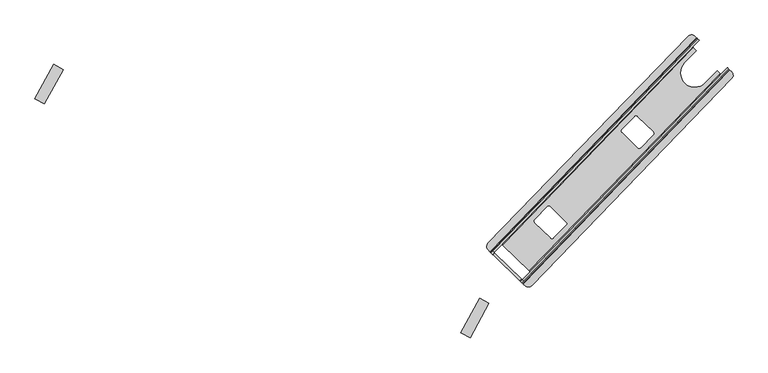
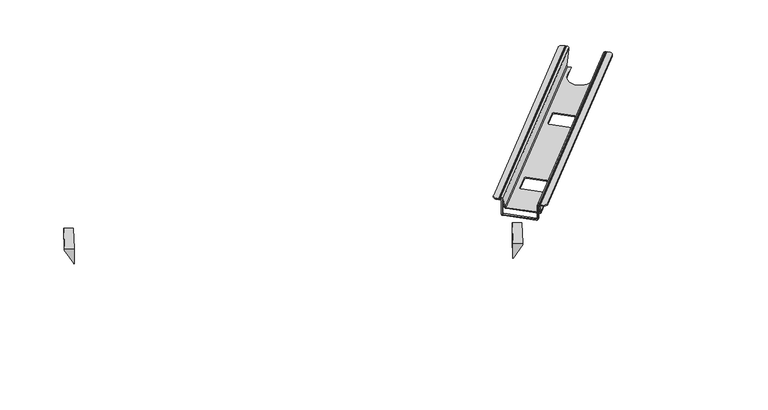
"""IFC4 building model written with IfcOpenShell, lengths in millimetres: furniture geometry."""

from ifc_helpers import new_model, si_unit, point, frame, frame_2d, origin, place, context, project, spatial, polyline, circle_curve, ellipse_curve, trimmed, segment, composite_curve, outline, extrude, source, transform, mapped, element, save
from ifc_brep_helpers import plane_surface, cylinder_surface, revolved_surface, advanced_brep


def furniture_8d54de81(model_context):
    return source(origin(), model_context, "Body", "SolidModel", [
        advanced_brep(
        [(1772.1801517, -98.0018121, 693.6399265), (1772.1801517, -98.0018121, 689.6804247), (1770.0313229, -95.9249045, 689.6804247), (1770.0313229, -95.9249045, 693.5914043), (1773.6840332, -99.4553587, 698.6714043), (1774.8689874, -100.6006526, 698.6714043), (1774.8689874, -100.6006526, 695.6719265), (1773.6412357, -99.4139937, 695.6719265), (1699.9931411, -28.2308973, 693.5914044), (1699.9931411, -28.2308973, 689.6804247), (1697.8443137, -26.1539911, 689.6804247), (1697.8443137, -26.1539911, 693.6399266), (1696.3832297, -24.7418095, 695.6719264), (1694.8094284, -23.2206832, 695.6719264), (1694.8094284, -23.2206832, 698.6714043), (1696.3404309, -24.7004431, 698.6714043), (1183.6366747, -558.1681175, 651.2602168), (1187.654656, -562.0516172, 645.6722168), (1253.9545313, -626.1324388, 645.6722168), (1257.9725126, -630.0159385, 651.2602168), (1257.9725126, -630.0159385, 693.6399265), (1259.4335967, -631.4281201, 695.6719265), (1260.6613483, -632.614779, 695.6719265), (1260.6613483, -632.614779, 698.6714043), (1259.4763941, -631.4694851, 698.6714043), (1255.8236839, -627.9390309, 693.5914043), (1255.8236839, -627.9390309, 651.1913268), (1253.9973287, -626.1738038, 648.6513268), (1187.6118572, -562.0102508, 648.6513268), (1185.7855021, -560.2450237, 651.1913268), (1185.7855021, -560.2450237, 693.5914044), (1182.1327918, -556.7145695, 698.6714043), (1180.6017894, -555.2348096, 698.6714043), (1180.6017894, -555.2348096, 695.6719264), (1182.1755906, -556.7559358, 695.6719264), (1183.6366747, -558.1681175, 693.6399266), (1330.1300026, -519.7254436, 645.6722168), (1291.0331957, -481.5289052, 645.6722168), (1291.0331957, -481.5289052, 648.6513268), (1330.1300026, -519.7254436, 648.6513268), (1290.9305083, -474.3647562, 645.6722168), (1290.9305083, -474.3647562, 648.6513268), (1322.0551917, -442.1622566, 645.6722168), (1322.0551917, -442.1622566, 648.6513268), (1329.2579141, -442.0590056, 645.6722168), (1329.2579141, -442.0590056, 648.6513268), (1368.526956, -480.4235829, 645.6722168), (1368.526956, -480.4235829, 648.6513268), (1368.6106328, -487.6073172, 645.6722168), (1368.6106328, -487.6073172, 648.6513268), (1337.3137144, -519.6417779, 645.6722168), (1337.3137144, -519.6417779, 648.6513268), (1547.1489955, -295.1913038, 645.6722168), (1508.0521886, -256.9947654, 645.6722168), (1508.0521886, -256.9947654, 648.6513268), (1547.1489955, -295.1913038, 648.6513268), (1507.9495012, -249.8306164, 645.6722168), (1507.9495012, -249.8306164, 648.6513268), (1539.0741846, -217.6281168, 645.6722168), (1539.0741846, -217.6281168, 648.6513268), (1546.2769069, -217.5248658, 645.6722168), (1546.2769069, -217.5248658, 648.6513268), (1585.5459489, -255.8894431, 645.6722168), (1585.5459489, -255.8894431, 648.6513268), (1585.6296257, -263.0731774, 645.6722168), (1585.6296257, -263.0731774, 648.6513268), (1554.3327073, -295.1076381, 645.6722168), (1554.3327073, -295.1076381, 648.6513268), (1756.2621679, -114.3230085, 650.192968), (1751.6994057, -111.1511658, 645.6722168), (1744.0056814, -103.7149501, 645.6722168), (1744.4134245, -103.2930873, 648.6513268), (1752.1499462, -110.770668, 648.6513268), (1754.0403078, -112.1755139, 650.192968), (1684.2961139, -44.7656549, 650.192968), (1685.7644747, -46.6071151, 648.6513268), (1692.6906862, -53.3015066, 648.6513268), (1692.2829432, -53.7233694, 645.6722168), (1685.3995305, -47.0703442, 645.6722168), (1682.0742552, -42.6181617, 650.192968), (1754.5878851, -111.9031329, 651.1913268), (1756.7643554, -113.9514417, 651.2602168), (1682.4285175, -42.1036207, 651.2602168), (1684.5497033, -44.2091256, 651.1913268), (1714.9466045, -133.7803132, 648.6513268), (1714.9466045, -133.7803132, 645.6722168), (1663.2238663, -83.7887325, 645.6722168), (1663.2238663, -83.7887325, 648.6513268), (1263.4629056, -627.3449248, 698.6714043), (1261.8485041, -621.7055773, 693.5914043), (1278.8611907, -604.1037587, 651.1913268), (1279.1147755, -603.5472639, 650.1930164), (1281.3366275, -605.6947507, 650.1930164), (1280.9823779, -606.209265, 651.2602168), (1263.9778637, -623.8026282, 693.6399265), (1264.6236243, -626.0583672, 695.6719265), (1265.8513759, -627.245026, 695.6719265), (1264.6478598, -628.4902187, 698.6714043), (1184.5883009, -551.1102493, 698.6714043), (1185.791817, -549.8650566, 695.6719264), (1187.3656183, -551.3861829, 695.6719264), (1189.6420257, -551.9548072, 693.6399266), (1206.6465399, -534.361444, 651.2602168), (1207.1487012, -533.9898907, 650.1930164), (1209.3705519, -536.1373762, 650.1930164), (1208.8230089, -536.4097515, 651.1913268), (1191.8103222, -554.0115701, 693.5914044), (1186.1193033, -552.5900092, 698.6714043), (1277.6349203, -601.7176664, 648.6513268), (1211.2494488, -537.5541135, 648.6513268), (1211.6777952, -537.1965811, 645.6722168), (1277.9776705, -601.2774027, 645.6722168), (1264.6478598, -628.4902187, 695.6719265), (1263.4201082, -627.3035598, 695.6719265), (1261.9590241, -625.8913781, 693.6399265), (1261.9590241, -625.8913781, 651.2602168), (1257.9410428, -622.0078784, 645.6722168), (1191.6411675, -557.9270568, 645.6722168), (1187.6231862, -554.0435571, 651.2602168), (1187.6231862, -554.0435571, 693.6399266), (1186.1621021, -552.6313755, 695.6719264), (1184.5883009, -551.1102493, 695.6719264), (1189.7720136, -556.1204634, 693.5914044), (1189.7720136, -556.1204634, 651.1913268), (1191.5983687, -557.8856905, 648.6513268), (1257.9838402, -622.0492434, 648.6513268), (1259.8101954, -623.8144706, 651.1913268), (1259.8101954, -623.8144706, 693.5914043)],
        [
            (0, 1),
            (1, 2),
            (2, 3),
            (3, 4, circle_curve(frame((1773.6840332, -99.4553587, 693.5914043), z_axis=(0.6949713135982722, 0.71903746305425, 0.0), x_axis=(0.71903746305425, -0.6949713135982722, 0.0)), 5.0799999)),
            (4, 5),
            (5, 6),
            (6, 7),
            (7, 0, circle_curve(frame((1773.6412357, -99.4139937, 693.6399265), z_axis=(-0.6949713135982722, -0.71903746305425, 0.0), x_axis=(0.71903746305425, -0.6949713135982722, 0.0)), 2.0319999)),
            (8, 9),
            (9, 10),
            (10, 11),
            (11, 12, circle_curve(frame((1696.3832297, -24.7418095, 693.6399266), z_axis=(-0.6949713135982722, -0.71903746305425, 0.0), x_axis=(0.71903746305425, -0.6949713135982722, 0.0)), 2.0319999)),
            (12, 13),
            (13, 14),
            (14, 15),
            (15, 8, circle_curve(frame((1696.3404309, -24.7004431, 693.5914044), z_axis=(0.6949713135982722, 0.71903746305425, 0.0), x_axis=(0.71903746305425, -0.6949713135982722, 0.0)), 5.0799999)),
            (16, 17, circle_curve(frame((1187.654656, -562.0516172, 651.2602168), z_axis=(-0.6949713135982722, -0.71903746305425, 0.0), x_axis=(0.71903746305425, -0.6949713135982722, 0.0)), 5.588)),
            (17, 18),
            (18, 19, circle_curve(frame((1253.9545313, -626.1324388, 651.2602168), z_axis=(-0.6949713135982722, -0.71903746305425, 0.0), x_axis=(0.71903746305425, -0.6949713135982722, 0.0)), 5.588)),
            (19, 20),
            (20, 21, circle_curve(frame((1259.4335967, -631.4281201, 693.6399265), z_axis=(0.6949713135982722, 0.71903746305425, 0.0), x_axis=(0.71903746305425, -0.6949713135982722, 0.0)), 2.0319999)),
            (21, 22),
            (22, 23),
            (23, 24),
            (24, 25, circle_curve(frame((1259.4763941, -631.4694851, 693.5914043), z_axis=(-0.6949713135982722, -0.71903746305425, 0.0), x_axis=(0.71903746305425, -0.6949713135982722, 0.0)), 5.0799999)),
            (25, 26),
            (26, 27, circle_curve(frame((1253.9973287, -626.1738038, 651.1913268), z_axis=(0.6949713135982722, 0.71903746305425, 0.0), x_axis=(0.71903746305425, -0.6949713135982722, 0.0)), 2.54)),
            (27, 28),
            (28, 29, circle_curve(frame((1187.6118572, -562.0102508, 651.1913268), z_axis=(0.6949713135982722, 0.71903746305425, 0.0), x_axis=(0.71903746305425, -0.6949713135982722, 0.0)), 2.54)),
            (29, 30),
            (30, 31, circle_curve(frame((1182.1327918, -556.7145695, 693.5914044), z_axis=(-0.6949713135982722, -0.71903746305425, 0.0), x_axis=(0.71903746305425, -0.6949713135982722, 0.0)), 5.0799999)),
            (31, 32),
            (32, 33),
            (33, 34),
            (34, 35, circle_curve(frame((1182.1755906, -556.7559358, 693.6399266), z_axis=(0.6949713135982722, 0.71903746305425, 0.0), x_axis=(0.71903746305425, -0.6949713135982722, 0.0)), 2.0319999)),
            (35, 16),
            (36, 37),
            (37, 38),
            (38, 39),
            (39, 36),
            (37, 40, circle_curve(frame((1294.5832186, -477.8952105, 645.6722168), z_axis=(0.0, 0.0, -1.0), x_axis=(1.0, 0.0, 0.0)), 5.08)),
            (40, 41),
            (41, 38, circle_curve(frame((1294.5832186, -477.8952105, 648.6513268), z_axis=(0.0, 0.0, 1.0), x_axis=(1.0, 0.0, 0.0)), 5.08)),
            (40, 42),
            (42, 43),
            (43, 41),
            (42, 44, circle_curve(frame((1325.707902, -445.6927109, 645.6722168), z_axis=(0.0, 0.0, -1.0), x_axis=(1.0, 0.0, 0.0)), 5.08)),
            (44, 45),
            (45, 43, circle_curve(frame((1325.707902, -445.6927109, 648.6513268), z_axis=(0.0, 0.0, 1.0), x_axis=(1.0, 0.0, 0.0)), 5.08)),
            (44, 46),
            (46, 47),
            (47, 45),
            (46, 48, circle_curve(frame((1364.976944, -484.0572883, 645.6722168), z_axis=(0.0, 0.0, -1.0), x_axis=(1.0, 0.0, 0.0)), 5.08)),
            (48, 49),
            (49, 47, circle_curve(frame((1364.976944, -484.0572883, 648.6513268), z_axis=(0.0, 0.0, 1.0), x_axis=(1.0, 0.0, 0.0)), 5.08)),
            (48, 50),
            (50, 51),
            (51, 49),
            (39, 51, circle_curve(frame((1333.6800255, -516.0917489, 648.6513268), z_axis=(0.0, 0.0, 1.0), x_axis=(1.0, 0.0, 0.0)), 5.08)),
            (50, 36, circle_curve(frame((1333.6800255, -516.0917489, 645.6722168), z_axis=(0.0, 0.0, -1.0), x_axis=(1.0, 0.0, 0.0)), 5.08)),
            (52, 53),
            (53, 54),
            (54, 55),
            (55, 52),
            (53, 56, circle_curve(frame((1511.6022115, -253.3610707, 645.6722168), z_axis=(0.0, 0.0, -1.0), x_axis=(1.0, 0.0, 0.0)), 5.08)),
            (56, 57),
            (57, 54, circle_curve(frame((1511.6022115, -253.3610707, 648.6513268), z_axis=(0.0, 0.0, 1.0), x_axis=(1.0, 0.0, 0.0)), 5.08)),
            (56, 58),
            (58, 59),
            (59, 57),
            (58, 60, circle_curve(frame((1542.7268949, -221.1585711, 645.6722168), z_axis=(0.0, 0.0, -1.0), x_axis=(1.0, 0.0, 0.0)), 5.08)),
            (60, 61),
            (61, 59, circle_curve(frame((1542.7268949, -221.1585711, 648.6513268), z_axis=(0.0, 0.0, 1.0), x_axis=(1.0, 0.0, 0.0)), 5.08)),
            (60, 62),
            (62, 63),
            (63, 61),
            (62, 64, circle_curve(frame((1581.9959369, -259.5231485, 645.6722168), z_axis=(0.0, 0.0, -1.0), x_axis=(1.0, 0.0, 0.0)), 5.08)),
            (64, 65),
            (65, 63, circle_curve(frame((1581.9959369, -259.5231485, 648.6513268), z_axis=(0.0, 0.0, 1.0), x_axis=(1.0, 0.0, 0.0)), 5.08)),
            (64, 66),
            (66, 67),
            (67, 65),
            (55, 67, circle_curve(frame((1550.6990184, -291.5576091, 648.6513268), z_axis=(0.0, 0.0, 1.0), x_axis=(1.0, 0.0, 0.0)), 5.08)),
            (66, 52, circle_curve(frame((1550.6990184, -291.5576091, 645.6722168), z_axis=(0.0, 0.0, -1.0), x_axis=(1.0, 0.0, 0.0)), 5.08)),
            (68, 69, ellipse_curve(frame((1752.4642207, -110.359866, 651.2602168), z_axis=(0.6818737908203317, 0.7054863863892479, -0.19322808287552679), x_axis=(0.13428797458007366, 0.13893823050166124, 0.9811538656032746)), 5.695335, 5.588)),
            (69, 70),
            (70, 71),
            (71, 72),
            (72, 73, ellipse_curve(frame((1752.4975894, -110.4109863, 651.1913268), z_axis=(-0.6818737908203317, -0.7054863863892479, 0.19322808287552679), x_axis=(-0.13428797458007366, -0.13893823050166124, -0.9811538656032746)), 2.5887887, 2.54)),
            (73, 68),
            (74, 75, ellipse_curve(frame((1686.1121179, -46.2474334, 651.1913268), z_axis=(-0.6818737908203317, -0.7054863863892479, 0.19322808287552679), x_axis=(-0.13428797458007366, -0.13893823050166124, -0.9811538656032746)), 2.5887887, 2.54)),
            (75, 76),
            (76, 77),
            (77, 78),
            (78, 79, ellipse_curve(frame((1686.1643455, -46.2790444, 651.2602168), z_axis=(0.6818737908203317, 0.7054863863892479, -0.19322808287552679), x_axis=(0.13428797458007366, 0.13893823050166124, 0.9811538656032746)), 5.695335, 5.588)),
            (79, 74),
            (73, 80, ellipse_curve(frame((1752.76153, -110.1379057, 651.1913268), z_axis=(-0.6018628124775598, -0.6227047092777077, 0.4999999999999673), x_axis=(-0.3474856567991115, -0.35951873152710356, -0.8660254037844576)), 2.9329394, 2.54)),
            (80, 2),
            (1, 81),
            (81, 68, ellipse_curve(frame((1752.7463741, -110.067942, 651.2602168), z_axis=(0.6018628124775598, 0.6227047092777077, -0.4999999999999673), x_axis=(0.3474856567991115, 0.35951873152710356, 0.8660254037844576)), 6.4524666, 5.588)),
            (79, 82, ellipse_curve(frame((1686.4464988, -45.9871204, 651.2602168), z_axis=(0.6018628124775598, 0.6227047092777077, -0.4999999999999673), x_axis=(0.3474856567991115, 0.35951873152710356, 0.8660254037844576)), 6.4524666, 5.588)),
            (82, 10),
            (9, 83),
            (83, 74, ellipse_curve(frame((1686.3760585, -45.9743528, 651.1913268), z_axis=(-0.6018628124775598, -0.6227047092777077, 0.4999999999999673), x_axis=(-0.3474856567991115, -0.35951873152710356, -0.8660254037844576)), 2.9329394, 2.54)),
            (84, 71),
            (70, 85),
            (85, 84),
            (85, 86, circle_curve(frame((1689.0852354, -108.7845229, 645.6722168), z_axis=(0.0, 0.0, -1.0), x_axis=(1.0, 0.0, 0.0)), 35.9666505)),
            (86, 87),
            (87, 84, circle_curve(frame((1689.0852354, -108.7845229, 648.6513268), z_axis=(0.0, 0.0, 1.0), x_axis=(1.0, 0.0, 0.0)), 35.9666505)),
            (86, 77),
            (76, 87),
            (88, 89, ellipse_curve(frame((1265.5012143, -625.2360316, 693.5914043), z_axis=(-0.6018628124775641, -0.622704709277714, -0.4999999999999541), x_axis=(0.34748565679910376, 0.3595187315270924, -0.8660254037844652)), 5.8658787, 5.0799999)),
            (89, 90),
            (90, 91, ellipse_curve(frame((1277.0348355, -602.3385316, 651.1913268), z_axis=(0.6018628124775641, 0.622704709277714, 0.4999999999999541), x_axis=(-0.34748565679910376, -0.3595187315270924, 0.8660254037844652)), 2.9329394, 2.54)),
            (91, 92),
            (92, 93, ellipse_curve(frame((1276.9643965, -602.3257653, 651.2602168), z_axis=(-0.6018628124775641, -0.622704709277714, -0.4999999999999541), x_axis=(0.34748565679910376, 0.3595187315270924, -0.8660254037844652)), 6.4524666, 5.588)),
            (93, 94),
            (94, 95, ellipse_curve(frame((1265.4389477, -625.2148099, 693.6399265), z_axis=(0.6018628124775641, 0.622704709277714, 0.4999999999999541), x_axis=(-0.34748565679910376, -0.3595187315270924, 0.8660254037844652)), 2.3463514, 2.0319999)),
            (95, 96),
            (96, 97),
            (97, 88),
            (98, 99),
            (99, 100),
            (100, 101, ellipse_curve(frame((1188.1809417, -550.5426256, 693.6399266), z_axis=(0.6018628124775641, 0.622704709277714, 0.4999999999999541), x_axis=(-0.34748565679910376, -0.3595187315270924, 0.8660254037844652)), 2.3463513, 2.0319999)),
            (101, 102),
            (102, 103, ellipse_curve(frame((1210.6645213, -538.2449437, 651.2602168), z_axis=(-0.6018628124775641, -0.622704709277714, -0.4999999999999541), x_axis=(0.34748565679910376, 0.3595187315270924, -0.8660254037844652)), 6.4524666, 5.588)),
            (103, 104),
            (104, 105, ellipse_curve(frame((1210.649364, -538.1749786, 651.1913268), z_axis=(0.6018628124775641, 0.622704709277714, 0.4999999999999541), x_axis=(-0.34748565679910376, -0.3595187315270924, 0.8660254037844652)), 2.9329394, 2.54)),
            (105, 106),
            (106, 107, ellipse_curve(frame((1188.157612, -550.481116, 693.5914044), z_axis=(-0.6018628124775641, -0.622704709277714, -0.4999999999999541), x_axis=(0.34748565679910376, 0.3595187315270924, -0.8660254037844652)), 5.8658786, 5.0799999)),
            (107, 98),
            (91, 108, ellipse_curve(frame((1277.3062011, -602.0577689, 651.1913268), z_axis=(0.6832259502605583, 0.7068853697350681, 0.18307204850843098), x_axis=(-0.12722982203502875, -0.13163566131564775, 0.983099499061477)), 2.5836652, 2.54)),
            (108, 109),
            (109, 104, ellipse_curve(frame((1210.9207296, -537.8942159, 651.1913268), z_axis=(0.6832259502605583, 0.7068853697350681, 0.18307204850843098), x_axis=(-0.12722982203502875, -0.13163566131564775, 0.983099499061477)), 2.5836652, 2.54)),
            (103, 110, ellipse_curve(frame((1210.9546128, -537.9448065, 651.2602168), z_axis=(-0.6832259502605583, -0.7068853697350681, -0.18307204850843098), x_axis=(0.12722982203502875, 0.13163566131564775, -0.983099499061477)), 5.6840635, 5.588)),
            (110, 111),
            (111, 92, ellipse_curve(frame((1277.2544881, -602.0256281, 651.2602168), z_axis=(-0.6832259502605583, -0.7068853697350681, -0.18307204850843098), x_axis=(0.12722982203502875, 0.13163566131564775, -0.983099499061477)), 5.6840635, 5.588)),
            (97, 112),
            (112, 113),
            (113, 114, circle_curve(frame((1263.4201082, -627.3035598, 693.6399265), z_axis=(-0.6949713135982722, -0.71903746305425, 0.0), x_axis=(0.71903746305425, -0.6949713135982722, 0.0)), 2.0319999)),
            (114, 115),
            (115, 116, circle_curve(frame((1257.9410428, -622.0078784, 651.2602168), z_axis=(0.6949713135982722, 0.71903746305425, 0.0), x_axis=(0.71903746305425, -0.6949713135982722, 0.0)), 5.588)),
            (116, 117),
            (117, 118, circle_curve(frame((1191.6411675, -557.9270568, 651.2602168), z_axis=(0.6949713135982722, 0.71903746305425, 0.0), x_axis=(0.71903746305425, -0.6949713135982722, 0.0)), 5.588)),
            (118, 119),
            (119, 120, circle_curve(frame((1186.1621021, -552.6313755, 693.6399266), z_axis=(-0.6949713135982722, -0.71903746305425, 0.0), x_axis=(0.71903746305425, -0.6949713135982722, 0.0)), 2.0319999)),
            (120, 121),
            (121, 98),
            (107, 122, circle_curve(frame((1186.1193033, -552.5900092, 693.5914044), z_axis=(0.6949713135982722, 0.71903746305425, 0.0), x_axis=(0.71903746305425, -0.6949713135982722, 0.0)), 5.0799999)),
            (122, 123),
            (123, 124, circle_curve(frame((1191.5983687, -557.8856905, 651.1913268), z_axis=(-0.6949713135982722, -0.71903746305425, 0.0), x_axis=(0.71903746305425, -0.6949713135982722, 0.0)), 2.54)),
            (124, 125),
            (125, 126, circle_curve(frame((1257.9838402, -622.0492434, 651.1913268), z_axis=(-0.6949713135982722, -0.71903746305425, 0.0), x_axis=(0.71903746305425, -0.6949713135982722, 0.0)), 2.54)),
            (126, 127),
            (127, 88, circle_curve(frame((1263.4629056, -627.3449248, 693.5914043), z_axis=(0.6949713135982722, 0.71903746305425, 0.0), x_axis=(0.71903746305425, -0.6949713135982722, 0.0)), 5.0799999)),
            (16, 118),
            (117, 17),
            (78, 110),
            (102, 82),
            (116, 18),
            (69, 111),
            (81, 93),
            (115, 19),
            (114, 20),
            (0, 94),
            (113, 21),
            (7, 95),
            (112, 22),
            (6, 96),
            (97, 23),
            (5, 97),
            (4, 88),
            (88, 24),
            (127, 25),
            (3, 89),
            (80, 90),
            (126, 26),
            (125, 27),
            (72, 108),
            (75, 109),
            (124, 28),
            (83, 105),
            (123, 29),
            (122, 30),
            (8, 106),
            (107, 31),
            (15, 107),
            (14, 98),
            (98, 32),
            (121, 33),
            (13, 99),
            (120, 34),
            (12, 100),
            (119, 35),
            (11, 101),
        ],
        [
            plane_surface(frame((1705.8802764, -33.9209905, 651.2602168), z_axis=(0.6949713135982722, 0.71903746305425, 0.0), x_axis=(0.0, 0.0, 1.0))),
            plane_surface(frame((1191.6726374, -565.9351169, 651.2602168), z_axis=(-0.6949713135982722, -0.71903746305425, 0.0), x_axis=(0.0, 0.0, -1.0))),
            plane_surface(frame((1330.1300026, -519.7254436, 672.2060139), z_axis=(0.6988234067517797, 0.7152942374826159, 0.0), x_axis=(0.0, 0.0, -1.0))),
            revolved_surface(polyline([(1299.6632186, -477.8952105, 648.6513268), (1299.6632186, -477.8952105, 645.6722168)]), (1294.5832186, -477.8952105, 0.0), (0.0, 0.0, 1.0)),
            plane_surface(frame((1290.9305083, -474.3647562, 672.2060139), z_axis=(0.7190374630542508, -0.6949713135982716, 0.0), x_axis=(0.0, 0.0, -1.0))),
            revolved_surface(polyline([(1330.787902, -445.6927109, 648.6513268), (1330.787902, -445.6927109, 645.6722168)]), (1325.707902, -445.6927109, 0.0), (0.0, 0.0, 1.0)),
            plane_surface(frame((1329.2579141, -442.0590056, 672.2060139), z_axis=(-0.6988212627568764, -0.7152963321022167, 0.0), x_axis=(0.0, 0.0, -1.0))),
            revolved_surface(polyline([(1370.056944, -484.0572883, 648.6513268), (1370.056944, -484.0572883, 645.6722168)]), (1364.976944, -484.0572883, 0.0), (0.0, 0.0, 1.0)),
            plane_surface(frame((1368.6106328, -487.6073172, 672.2060139), z_axis=(-0.7152930749870916, 0.6988245966446166, 0.0), x_axis=(0.0, 0.0, -1.0))),
            revolved_surface(polyline([(1338.7600255, -516.0917489, 648.6513268), (1338.7600255, -516.0917489, 645.6722168)]), (1333.6800255, -516.0917489, 0.0), (0.0, 0.0, 1.0)),
            plane_surface(frame((1547.1489955, -295.1913038, 672.2060139), z_axis=(0.6988234067517799, 0.7152942374826154, 0.0), x_axis=(0.0, 0.0, -1.0))),
            revolved_surface(polyline([(1516.6822115, -253.3610707, 648.6513268), (1516.6822115, -253.3610707, 645.6722168)]), (1511.6022115, -253.3610707, 0.0), (0.0, 0.0, 1.0)),
            plane_surface(frame((1507.9495012, -249.8306164, 672.2060139), z_axis=(0.71903746305425, -0.6949713135982722, 0.0), x_axis=(0.0, 0.0, -1.0))),
            revolved_surface(polyline([(1547.8068948999999, -221.1585711, 648.6513268), (1547.8068948999999, -221.1585711, 645.6722168)]), (1542.7268949, -221.1585711, 0.0), (0.0, 0.0, 1.0)),
            plane_surface(frame((1546.2769069, -217.5248658, 672.2060139), z_axis=(-0.6988212627568758, -0.7152963321022173, 0.0), x_axis=(0.0, 0.0, -1.0))),
            revolved_surface(polyline([(1587.0759369, -259.5231485, 648.6513268), (1587.0759369, -259.5231485, 645.6722168)]), (1581.9959369, -259.5231485, 0.0), (0.0, 0.0, 1.0)),
            plane_surface(frame((1585.6296257, -263.0731774, 672.2060139), z_axis=(-0.7152930749870909, 0.6988245966446174, 0.0), x_axis=(0.0, 0.0, -1.0))),
            revolved_surface(polyline([(1555.7790184, -291.5576091, 648.6513268), (1555.7790184, -291.5576091, 645.6722168)]), (1550.6990184, -291.5576091, 0.0), (0.0, 0.0, 1.0)),
            plane_surface(frame((1782.9135883, -142.5842383, 641.0586443), z_axis=(0.6818737908203317, 0.7054863863892479, -0.19322808287552679), x_axis=(-0.7190374630542486, 0.6949713135982736, 0.0))),
            plane_surface(frame((1784.1637794, -141.2907544, 650.192968), z_axis=(0.6018628124775598, 0.6227047092777077, -0.4999999999999673), x_axis=(-0.7190374630542486, 0.6949713135982736, 0.0))),
            plane_surface(frame((1748.0446134, -99.536154, 672.2060139), z_axis=(-0.719037463054251, 0.6949713135982714, 0.0), x_axis=(0.0, 0.0, -1.0))),
            revolved_surface(polyline([(1725.0518859000001, -108.7845229, 648.6513268), (1725.0518859000001, -108.7845229, 645.6722168)]), (1689.0852354, -108.7845229, 0.0), (0.0, 0.0, 1.0)),
            plane_surface(frame((1663.2238663, -83.7887325, 672.2060139), z_axis=(0.7190374630542514, -0.6949713135982708, 0.0), x_axis=(0.0, 0.0, -1.0))),
            plane_surface(frame((1301.4334368, -664.0445841, 698.6714043), z_axis=(-0.6018628124775642, -0.6227047092777142, -0.4999999999999542), x_axis=(-0.7190374630542498, 0.6949713135982726, 0.0))),
            plane_surface(frame((1320.8849961, -643.9194372, 650.1930164), z_axis=(-0.6832259502605584, -0.7068853697350682, -0.183072048508431), x_axis=(-0.7190374630542498, 0.6949713135982726, 0.0))),
            plane_surface(frame((1301.4334368, -664.0445841, 637.7076528), z_axis=(0.6949713135982726, 0.7190374630542498, 0.0), x_axis=(-0.7190374630542498, 0.6949713135982726, 0.0))),
            cylinder_surface(frame((1187.654656, -562.0516172, 651.2602168), z_axis=(0.6949713135982722, 0.71903746305425, 0.0), x_axis=(0.71903746305425, -0.6949713135982722, 0.0)), 5.588),
            plane_surface(frame((1701.8622951, -30.0374908, 645.6722168), z_axis=(0.0, 0.0, -1.0), x_axis=(-0.694971313598272, -0.7190374630542502, 0.0))),
            cylinder_surface(frame((1253.9545313, -626.1324388, 651.2602168), z_axis=(0.6949713135982722, 0.71903746305425, 0.0), x_axis=(0.71903746305425, -0.6949713135982722, 0.0)), 5.588),
            plane_surface(frame((1772.1801517, -98.0018121, 651.2602168), z_axis=(0.7190374630542502, -0.694971313598272, 0.0), x_axis=(-0.694971313598272, -0.7190374630542502, 0.0))),
            revolved_surface(polyline([(1260.8946807104774, -632.8403017837529, 693.6399265), (1264.881192241976, -628.7157414141974, 693.6399265)]), (1259.4335967, -631.4281201, 693.6399265), (-0.6949713135982722, -0.71903746305425, 0.0)),
            revolved_surface(polyline([(1266.0847082983703, -627.4705488213488, 693.6399265), (1775.1023197928362, -100.8261753667025, 693.6399265)]), (1259.4335967, -631.4281201, 693.6399265), (-0.6949713135982722, -0.71903746305425, 0.0)),
            plane_surface(frame((1773.6412357, -99.4139937, 695.6719265), z_axis=(0.0, 0.0, -1.0), x_axis=(-0.6949713135982724, -0.71903746305425, 0.0))),
            plane_surface(frame((1774.8689874, -100.6006526, 695.6719265), z_axis=(0.71903746305425, -0.6949713135982724, 0.0), x_axis=(-0.6949713135982724, -0.71903746305425, 0.0))),
            plane_surface(frame((1774.8689874, -100.6006526, 698.6714043), z_axis=(0.0, 0.0, 1.0), x_axis=(-0.6949713135982724, -0.71903746305425, 0.0))),
            cylinder_surface(frame((1259.4763941, -631.4694851, 693.5914043), z_axis=(0.6949713135982722, 0.71903746305425, 0.0), x_axis=(0.71903746305425, -0.6949713135982722, 0.0)), 5.0799999),
            plane_surface(frame((1770.0313229, -95.9249045, 693.5914043), z_axis=(-0.7190374630542502, 0.694971313598272, 0.0), x_axis=(-0.694971313598272, -0.7190374630542502, 0.0))),
            revolved_surface(polyline([(1255.823683856158, -627.9390309365396, 651.1913268), (1259.8101953876567, -623.814470566984, 651.1913268)]), (1253.9973287, -626.1738038, 651.1913268), (-0.6949713135982722, -0.71903746305425, 0.0)),
            revolved_surface(polyline([(1277.8420362725026, -605.1582053797101, 651.1913268), (1755.6070395309184, -110.84868618477162, 651.1913268)]), (1253.9973287, -626.1738038, 651.1913268), (-0.6949713135982722, -0.71903746305425, 0.0)),
            plane_surface(frame((1768.2049678, -94.1596774, 648.6513268), z_axis=(0.0, 0.0, 1.0), x_axis=(-0.694971313598272, -0.7190374630542502, 0.0))),
            revolved_surface(polyline([(1211.4565647725026, -540.9946523797101, 651.1913268), (1689.2215679809474, -46.68513323647312, 651.1913268)]), (1187.6118572, -562.0102508, 651.1913268), (-0.6949713135982722, -0.71903746305425, 0.0)),
            revolved_surface(polyline([(1189.438212356158, -563.7754779365396, 651.1913268), (1193.4247238465498, -559.6509176095144, 651.1913268)]), (1187.6118572, -562.0102508, 651.1913268), (-0.6949713135982722, -0.71903746305425, 0.0)),
            plane_surface(frame((1699.9931411, -28.2308973, 651.1913268), z_axis=(0.7190374630542501, -0.6949713135982721, 0.0), x_axis=(-0.6949713135982721, -0.7190374630542501, 0.0))),
            cylinder_surface(frame((1182.1327918, -556.7145695, 693.5914044), z_axis=(0.6949713135982722, 0.71903746305425, 0.0), x_axis=(0.71903746305425, -0.6949713135982722, 0.0)), 5.0799999),
            plane_surface(frame((1696.3404309, -24.7004431, 698.6714043), z_axis=(-1.1381818942831857e-11, 1.1000870007854872e-11, 1.0), x_axis=(-0.6949713135982724, -0.71903746305425, 0.0))),
            plane_surface(frame((1694.8094284, -23.2206832, 698.6714043), z_axis=(-0.71903746305425, 0.6949713135982724, 0.0), x_axis=(-0.6949713135982724, -0.71903746305425, 0.0))),
            plane_surface(frame((1694.8094284, -23.2206832, 695.6719264), z_axis=(0.0, 0.0, -1.0), x_axis=(-0.6949713135982724, -0.71903746305425, 0.0))),
            revolved_surface(polyline([(1183.6366746455967, -558.1681174474176, 693.6399266), (1187.6231861770952, -554.043557077862, 693.6399266)]), (1182.1755906, -556.7559358, 693.6399266), (-0.6949713135982722, -0.71903746305425, 0.0)),
            revolved_surface(polyline([(1188.8267022638775, -552.7983644535733, 693.6399266), (1697.8443136854103, -26.153991074385658, 693.6399266)]), (1182.1755906, -556.7559358, 693.6399266), (-0.6949713135982722, -0.71903746305425, 0.0)),
            plane_surface(frame((1697.8443137, -26.1539911, 693.6399266), z_axis=(-0.71903746305425, 0.6949713135982724, 0.0), x_axis=(-0.6949713135982724, -0.71903746305425, 0.0))),
        ],
        [
            (0, [[1, 2, 3, 4, 5, 6, 7, 8]]),
            (0, [[9, 10, 11, 12, 13, 14, 15, 16]]),
            (1, [[17, 18, 19, 20, 21, 22, 23, 24, 25, 26, 27, 28, 29, 30, 31, 32, 33, 34, 35, 36]]),
            (2, [[37, 38, 39, 40]]),
            (3, [[41, 42, 43, -38]]),
            (4, [[44, 45, 46, -42]]),
            (5, [[47, 48, 49, -45]]),
            (6, [[50, 51, 52, -48]]),
            (7, [[53, 54, 55, -51]]),
            (8, [[56, 57, 58, -54]]),
            (9, [[59, -57, 60, -40]]),
            (10, [[61, 62, 63, 64]]),
            (11, [[65, 66, 67, -62]]),
            (12, [[68, 69, 70, -66]]),
            (13, [[71, 72, 73, -69]]),
            (14, [[74, 75, 76, -72]]),
            (15, [[77, 78, 79, -75]]),
            (16, [[80, 81, 82, -78]]),
            (17, [[83, -81, 84, -64]]),
            (18, [[85, 86, 87, 88, 89, 90]]),
            (18, [[91, 92, 93, 94, 95, 96]]),
            (19, [[97, 98, -2, 99, 100, -90]]),
            (19, [[101, 102, -10, 103, 104, -96]]),
            (20, [[105, -87, 106, 107]]),
            (21, [[108, 109, 110, -107]]),
            (22, [[111, -93, 112, -109]]),
            (23, [[113, 114, 115, 116, 117, 118, 119, 120, 121, 122]]),
            (23, [[123, 124, 125, 126, 127, 128, 129, 130, 131, 132]]),
            (24, [[133, 134, 135, -128, 136, 137, 138, -116]]),
            (25, [[139, 140, 141, 142, 143, 144, 145, 146, 147, 148, 149, -132, 150, 151, 152, 153, 154, 155, 156, -122]]),
            (26, [[157, -145, 158, -17]]),
            (26, [[159, -136, -127, 160, -101, -95]]),
            (27, [[-158, -144, 161, -18]]),
            (27, [[162, -137, -159, -94, -111, -108, -106, -86], [-60, -56, -53, -50, -47, -44, -41, -37], [-84, -80, -77, -74, -71, -68, -65, -61]]),
            (28, [[-100, 163, -117, -138, -162, -85]]),
            (28, [[-161, -143, 164, -19]]),
            (29, [[-164, -142, 165, -20]]),
            (29, [[166, -118, -163, -99, -1]]),
            (30, [[-165, -141, 167, -21]]),
            (31, [[168, -119, -166, -8]]),
            (32, [[-167, -140, 169, -22]]),
            (32, [[170, -120, -168, -7]]),
            (33, [[-169, -139, 171, -23]]),
            (33, [[172, -121, -170, -6]]),
            (34, [[173, 174, -24, -171, -172, -5]]),
            (35, [[-174, -156, 175, -25]]),
            (35, [[176, -113, -173, -4]]),
            (36, [[-98, 177, -114, -176, -3]]),
            (36, [[-175, -155, 178, -26]]),
            (37, [[-178, -154, 179, -27]]),
            (38, [[180, -133, -115, -177, -97, -89]]),
            (39, [[-105, -110, -112, -92, 181, -134, -180, -88], [-43, -46, -49, -52, -55, -58, -59, -39], [-67, -70, -73, -76, -79, -82, -83, -63]]),
            (39, [[-179, -153, 182, -28]]),
            (40, [[-104, 183, -129, -135, -181, -91]]),
            (41, [[-182, -152, 184, -29]]),
            (42, [[-184, -151, 185, -30]]),
            (42, [[186, -130, -183, -103, -9]]),
            (43, [[-185, -150, 187, -31]]),
            (43, [[188, -131, -186, -16]]),
            (44, [[189, 190, -32, -187, -188, -15]]),
            (45, [[-190, -149, 191, -33]]),
            (45, [[192, -123, -189, -14]]),
            (46, [[-191, -148, 193, -34]]),
            (46, [[194, -124, -192, -13]]),
            (47, [[-193, -147, 195, -35]]),
            (48, [[196, -125, -194, -12]]),
            (49, [[-102, -160, -126, -196, -11]]),
            (49, [[-195, -146, -157, -36]]),
        ],
    ),
        advanced_brep(
        [(1776.7220962, -102.3917379, 698.6714043), (1262.5144571, -634.4058643, 698.6714043), (1266.7213021, -638.4719064, 698.6714043), (1282.8834224, -638.1968303, 698.6714043), (1781.2040172, -122.6199003, 698.6714043), (1780.9289411, -106.45778, 698.6714043), (1776.7220962, -102.3917379, 695.6719265), (1780.9289411, -106.45778, 695.6719265), (1781.2040172, -122.6199003, 695.6719265), (1282.8834224, -638.1968303, 695.6719265), (1266.7213021, -638.4719064, 695.6719265), (1262.5144571, -634.4058643, 695.6719265)],
        [
            (0, 1),
            (1, 2),
            (2, 3, circle_curve(frame((1274.6648242, -630.2533082, 698.6714043), z_axis=(0.0, 0.0, 1.0), x_axis=(1.0, 0.0, 0.0)), 11.43)),
            (3, 4),
            (4, 5, circle_curve(frame((1772.985419, -114.6763782, 698.6714043), z_axis=(0.0, 0.0, 1.0), x_axis=(1.0, 0.0, 0.0)), 11.43)),
            (5, 0),
            (6, 7),
            (7, 8, circle_curve(frame((1772.985419, -114.6763782, 695.6719265), z_axis=(0.0, 0.0, -1.0), x_axis=(1.0, 0.0, 0.0)), 11.43)),
            (8, 9),
            (9, 10, circle_curve(frame((1274.6648242, -630.2533082, 695.6719265), z_axis=(0.0, 0.0, -1.0), x_axis=(1.0, 0.0, 0.0)), 11.43)),
            (10, 11),
            (11, 6),
            (5, 7),
            (6, 0),
            (4, 8),
            (3, 9),
            (2, 10),
            (1, 11),
        ],
        [
            plane_surface(frame((1776.7220962, -102.3917379, 698.6714043), z_axis=(0.0, 0.0, 1.0), x_axis=(0.7190374630542551, -0.694971313598267, 0.0))),
            plane_surface(frame((1776.7220962, -102.3917379, 695.6719265), z_axis=(0.0, 0.0, -1.0), x_axis=(-0.7190374630542551, 0.694971313598267, 0.0))),
            plane_surface(frame((1776.7220962, -102.3917379, 698.6714043), z_axis=(0.694971313598267, 0.7190374630542551, 0.0), x_axis=(0.0, 0.0, -1.0))),
            cylinder_surface(frame((1772.985419, -114.6763782, 695.6719265), z_axis=(0.0, 0.0, 1.0), x_axis=(1.0, 0.0, 0.0)), 11.43),
            plane_surface(frame((1781.2040172, -122.6199003, 698.6714043), z_axis=(0.7190374630542558, -0.6949713135982664, 0.0), x_axis=(0.0, 0.0, -1.0))),
            cylinder_surface(frame((1274.6648242, -630.2533082, 695.6719265), z_axis=(0.0, 0.0, 1.0), x_axis=(1.0, 0.0, 0.0)), 11.43),
            plane_surface(frame((1266.7213021, -638.4719064, 698.6714043), z_axis=(-0.6949713135982748, -0.7190374630542476, 0.0), x_axis=(0.0, 0.0, -1.0))),
            plane_surface(frame((1262.5144571, -634.4058643, 698.6714043), z_axis=(-0.7190374630542534, 0.6949713135982687, 0.0), x_axis=(0.0, 0.0, -1.0))),
        ],
        [
            (0, [[1, 2, 3, 4, 5, 6]]),
            (1, [[7, 8, 9, 10, 11, 12]]),
            (2, [[13, -7, 14, -6]]),
            (3, [[15, -8, -13, -5]]),
            (4, [[16, -9, -15, -4]]),
            (5, [[17, -10, -16, -3]]),
            (6, [[18, -11, -17, -2]]),
            (7, [[-14, -12, -18, -1]]),
        ],
    ),
        advanced_brep(
        [(1693.3024533, -21.7641464, 698.6714043), (1688.9771185, -17.5835805, 698.6714043), (1672.8149982, -17.8586565, 698.6714043), (1174.4944034, -533.4355865, 698.6714043), (1174.7694795, -549.5977069, 698.6714043), (1179.0948142, -553.7782728, 698.6714043), (1693.3024533, -21.7641464, 695.6719265), (1179.0948142, -553.7782728, 695.6719265), (1174.7694795, -549.5977069, 695.6719265), (1174.4944034, -533.4355865, 695.6719265), (1672.8149982, -17.8586565, 695.6719265), (1688.9771185, -17.5835805, 695.6719265)],
        [
            (0, 1),
            (1, 2, circle_curve(frame((1681.0335964, -25.8021787, 698.6714043), z_axis=(0.0, 0.0, 1.0), x_axis=(1.0, 0.0, 0.0)), 11.43)),
            (2, 3),
            (3, 4, circle_curve(frame((1182.7130016, -541.3791087, 698.6714043), z_axis=(0.0, 0.0, 1.0), x_axis=(1.0, 0.0, 0.0)), 11.43)),
            (4, 5),
            (5, 0),
            (6, 7),
            (7, 8),
            (8, 9, circle_curve(frame((1182.7130016, -541.3791087, 695.6719265), z_axis=(0.0, 0.0, -1.0), x_axis=(1.0, 0.0, 0.0)), 11.43)),
            (9, 10),
            (10, 11, circle_curve(frame((1681.0335964, -25.8021787, 695.6719265), z_axis=(0.0, 0.0, -1.0), x_axis=(1.0, 0.0, 0.0)), 11.43)),
            (11, 6),
            (5, 7),
            (6, 0),
            (4, 8),
            (3, 9),
            (2, 10),
            (1, 11),
        ],
        [
            plane_surface(frame((1776.7220962, -102.3917379, 698.6714043), z_axis=(0.0, 0.0, 1.0), x_axis=(0.7190374630542551, -0.694971313598267, 0.0))),
            plane_surface(frame((1776.7220962, -102.3917379, 695.6719265), z_axis=(0.0, 0.0, -1.0), x_axis=(-0.7190374630542551, 0.694971313598267, 0.0))),
            plane_surface(frame((1693.3024533, -21.7641464, 698.6714043), z_axis=(0.7190374630542481, -0.6949713135982744, 0.0), x_axis=(0.0, 0.0, -1.0))),
            plane_surface(frame((1179.0948142, -553.7782728, 698.6714043), z_axis=(-0.6949713135982329, -0.719037463054288, 0.0), x_axis=(0.0, 0.0, -1.0))),
            cylinder_surface(frame((1182.7130016, -541.3791087, 0.0), z_axis=(0.0, 0.0, 1.0), x_axis=(1.0, 0.0, 0.0)), 11.43),
            plane_surface(frame((1174.4944034, -533.4355865, 698.6714043), z_axis=(-0.7190374630542459, 0.6949713135982766, 0.0), x_axis=(0.0, 0.0, -1.0))),
            cylinder_surface(frame((1681.0335964, -25.8021787, 0.0), z_axis=(0.0, 0.0, 1.0), x_axis=(1.0, 0.0, 0.0)), 11.43),
            plane_surface(frame((1688.9771185, -17.5835805, 698.6714043), z_axis=(0.6949713135982385, 0.7190374630542826, 0.0), x_axis=(0.0, 0.0, -1.0))),
        ],
        [
            (0, [[1, 2, 3, 4, 5, 6]]),
            (1, [[7, 8, 9, 10, 11, 12]]),
            (2, [[13, -7, 14, -6]]),
            (3, [[15, -8, -13, -5]]),
            (4, [[16, -9, -15, -4]]),
            (5, [[17, -10, -16, -3]]),
            (6, [[18, -11, -17, -2]]),
            (7, [[-14, -12, -18, -1]]),
        ],
    ),
        extrude(outline(composite_curve([segment(polyline([(0.7180343, 0.1927719), (-42.6124131, -24.8804384)]), True, "CONTINUOUS"), segment(trimmed(circle_curve(frame_2d((-43.4100789, -23.5019466)), 1.5926425), [point((-42.6124131, -24.8804384))], [point((-43.4100789, -25.0945892))], False, "CARTESIAN"), True, "CONTINUOUS"), segment(polyline([(-43.4100789, -25.0945892), (-47.0805507, -25.0945892), (-47.0805507, 1.5820998), (1.4259414, 1.5820998)]), True, "CONTINUOUS"), segment(trimmed(circle_curve(frame_2d((0.0, 1.433648)), 1.433648), [point((1.4259414, 1.5820998))], [point((0.7180343, 0.1927719))], False, "CARTESIAN"), True, "CONTINUOUS")], self_intersect=False)), frame((1107.9355306, -755.7915537, 651.5908536), z_axis=(0.48141248866053177, 0.8764941618525895, 0.0), x_axis=(0.0, 0.0, -1.0)), (0.0, 0.0, 1.0), 97.4054697),
        extrude(outline(composite_curve([segment(trimmed(circle_curve(frame_2d((-50.0618972, 1.433648)), 1.433648), [point((-50.0618972, 0.0))], [point((-51.370454, 0.8479641))], False, "CARTESIAN"), True, "CONTINUOUS"), segment(polyline([(-51.370454, 0.8479641), (-9.386268, 25.1421588), (3.9745966, 2.0524853), (0.7976658, 0.2141508)]), True, "CONTINUOUS"), segment(trimmed(circle_curve(frame_2d((1e-07, 1.5926425)), 1.5926425), [point((0.7976658, 0.2141508))], [point((0.0, 0.0))], False, "CARTESIAN"), True, "CONTINUOUS"), segment(polyline([(0.0, 0.0), (-50.0618972, 0.0)]), True, "CONTINUOUS")], self_intersect=False)), frame((47.2035291, -173.1867839, 694.2032667), z_axis=(0.4814125556229309, 0.876494125073636, 0.0), x_axis=(-0.4389869900591999, 0.2411126814476515, 0.8655374615831988)), (0.0, 0.0, 1.0), 97.4054697),
    ])


if __name__ == "__main__":
    model = new_model("IFC4")
    model_context = context("Model", 3, world=origin())
    ifc_project = project(units=[si_unit("LENGTHUNIT", "METRE", prefix="MILLI")], contexts=[model_context])
    site = spatial("IfcSite", under=ifc_project)
    building = spatial("IfcBuilding", under=site)
    placement = place(None, origin())
    furniture_shape = furniture_8d54de81(model_context)
    element("IfcFurniture", 1, at=placement, inside=building, context=model_context, shape_type="MappedRepresentation", body=[
        mapped(furniture_shape, transform((0.0, 0.0, 0.0), x_axis=(1.0, 0.0, 0.0), y_axis=(0.0, 1.0, 0.0), z_axis=(0.0, 0.0, 1.0))),
    ])
    save(model, "model.ifc")
